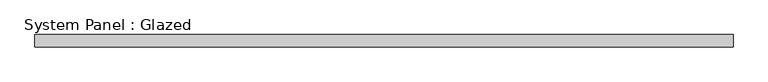
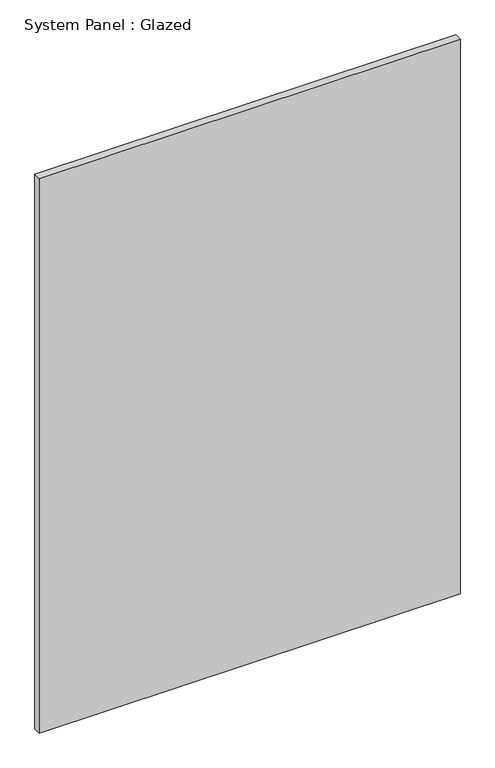
"""IFC4 building model written with IfcOpenShell, lengths in millimetres: plate geometry, System Panel : Glazed."""

from ifc_helpers import new_model, si_unit, origin, origin_with_axes, place, context, project, spatial, polyline, outline, extrude, source, transform, mapped, element, save


def system_panel_glazed_08968782(model_context):
    return source(origin(), model_context, "Body", "SweptSolid", [
        extrude(outline(polyline([(722.85, 19.05), (-722.85, 19.05), (-722.85, 44.45), (722.85, 44.45), (722.85, 19.05)])), origin_with_axes(), (0.0, 0.0, 1.0), 2010.7536198),
    ])


if __name__ == "__main__":
    model = new_model("IFC4")
    model_context = context("Model", 3, world=origin())
    ifc_project = project(units=[si_unit("LENGTHUNIT", "METRE", prefix="MILLI")], contexts=[model_context])
    site = spatial("IfcSite", under=ifc_project)
    building = spatial("IfcBuilding", under=site)
    placement = place(None, origin())
    system_panel_glazed_shape = system_panel_glazed_08968782(model_context)
    element("IfcPlate", 1, ObjectType="System Panel : Glazed", at=placement, inside=building, context=model_context, shape_type="MappedRepresentation", body=[
        mapped(system_panel_glazed_shape, transform((0.0, 0.0, 0.0), x_axis=(1.0, 0.0, 0.0), y_axis=(0.0, 1.0, 0.0), z_axis=(0.0, 0.0, 1.0))),
    ])
    save(model, "model.ifc")
